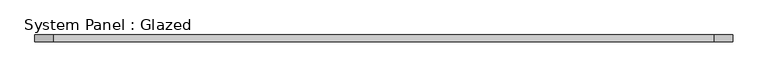
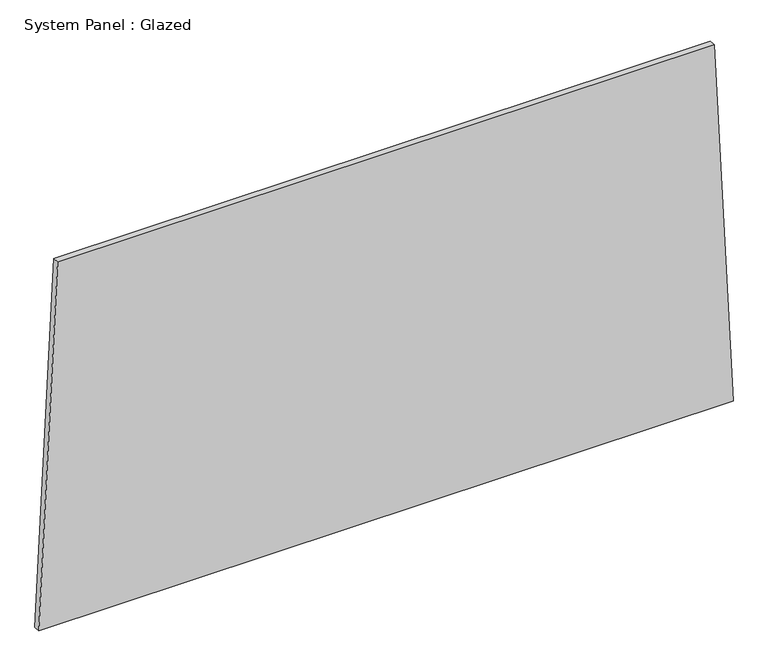
"""IFC4 building model written with IfcOpenShell, lengths in millimetres: plate geometry, System Panel : Glazed."""

from ifc_helpers import new_model, si_unit, frame, origin, place, context, project, spatial, polyline, outline, extrude, source, transform, mapped, element, save


def system_panel_glazed_42a9b0f9(model_context):
    return source(origin(), model_context, "Body", "SweptSolid", [
        extrude(outline(polyline([(0.0, -1311.2802051), (0.0, 1311.2802051), (1448.197445, 1240.2115697), (1448.1967786, -1240.2074341), (0.0, -1311.2802051)])), frame((0.0, -49.5, 0.0), z_axis=(0.0, 1.0, 0.0), x_axis=(0.0, 0.0, 1.0)), (0.0, 0.0, 1.0), 25.0),
    ])


if __name__ == "__main__":
    model = new_model("IFC4")
    model_context = context("Model", 3, world=origin())
    ifc_project = project(units=[si_unit("LENGTHUNIT", "METRE", prefix="MILLI")], contexts=[model_context])
    site = spatial("IfcSite", under=ifc_project)
    building = spatial("IfcBuilding", under=site)
    placement = place(None, origin())
    system_panel_glazed_shape = system_panel_glazed_42a9b0f9(model_context)
    element("IfcPlate", 1, ObjectType="System Panel : Glazed", at=placement, inside=building, context=model_context, shape_type="MappedRepresentation", body=[
        mapped(system_panel_glazed_shape, transform((0.0, 0.0, 0.0), x_axis=(1.0, 0.0, 0.0), y_axis=(0.0, 1.0, 0.0), z_axis=(0.0, 0.0, 1.0))),
    ])
    save(model, "model.ifc")
